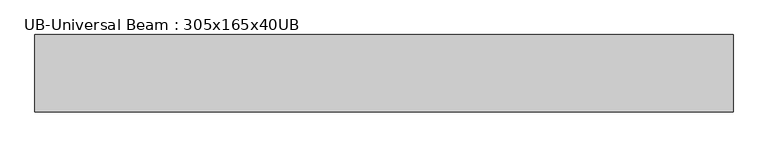
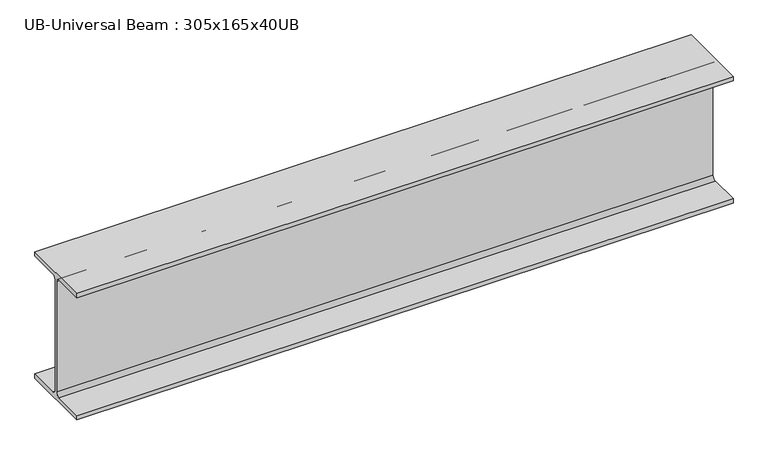
"""IFC4 building model written with IfcOpenShell, lengths in millimetres: beam geometry, UB-Universal Beam : 305x165x40UB."""

from ifc_helpers import new_model, si_unit, point, frame, frame_2d, origin, place, context, project, spatial, polyline, circle_curve, trimmed, segment, composite_curve, outline, extrude, source, transform, mapped, element, save


def ub_universal_beam_305x165x40ub_d96b4851(model_context):
    return source(origin(), model_context, "Body", "SweptSolid", [
        extrude(outline(composite_curve([segment(polyline([(82.5, -141.5), (82.5, -151.7), (-82.5, -151.7), (-82.5, -141.5), (-11.9, -141.5)]), True, "CONTINUOUS"), segment(trimmed(circle_curve(frame_2d((-11.9, -132.6)), 8.9), [point((-11.9, -141.5))], [point((-3.0, -132.6))], True, "CARTESIAN"), True, "CONTINUOUS"), segment(polyline([(-3.0, -132.6), (-3.0, 132.6)]), True, "CONTINUOUS"), segment(trimmed(circle_curve(frame_2d((-11.9, 132.6)), 8.9), [point((-3.0, 132.6))], [point((-11.9, 141.5))], True, "CARTESIAN"), True, "CONTINUOUS"), segment(polyline([(-11.9, 141.5), (-82.5, 141.5), (-82.5, 151.7), (82.5, 151.7), (82.5, 141.5), (11.9, 141.5)]), True, "CONTINUOUS"), segment(trimmed(circle_curve(frame_2d((11.9, 132.6)), 8.9), [point((11.9, 141.5))], [point((3.0, 132.6))], True, "CARTESIAN"), True, "CONTINUOUS"), segment(polyline([(3.0, 132.6), (3.0, -132.6)]), True, "CONTINUOUS"), segment(trimmed(circle_curve(frame_2d((11.9, -132.6)), 8.9), [point((3.0, -132.6))], [point((11.9, -141.5))], True, "CARTESIAN"), True, "CONTINUOUS"), segment(polyline([(11.9, -141.5), (82.5, -141.5)]), True, "CONTINUOUS")], self_intersect=False)), frame((-798.3664108, 0.0, 0.0), z_axis=(1.0, 0.0, 0.0), x_axis=(0.0, 1.0, 0.0)), (0.0, 0.0, 1.0), 1488.736386),
    ])


if __name__ == "__main__":
    model = new_model("IFC4")
    model_context = context("Model", 3, world=origin())
    ifc_project = project(units=[si_unit("LENGTHUNIT", "METRE", prefix="MILLI")], contexts=[model_context])
    site = spatial("IfcSite", under=ifc_project)
    building = spatial("IfcBuilding", under=site)
    placement = place(None, origin())
    ub_universal_beam_305x165x40ub_shape = ub_universal_beam_305x165x40ub_d96b4851(model_context)
    element("IfcBeam", 1, ObjectType="UB-Universal Beam : 305x165x40UB", at=placement, inside=building, context=model_context, shape_type="MappedRepresentation", body=[
        mapped(ub_universal_beam_305x165x40ub_shape, transform((0.0, 0.0, 0.0), x_axis=(1.0, 0.0, 0.0), y_axis=(0.0, 1.0, 0.0), z_axis=(0.0, 0.0, 1.0))),
    ])
    save(model, "model.ifc")
